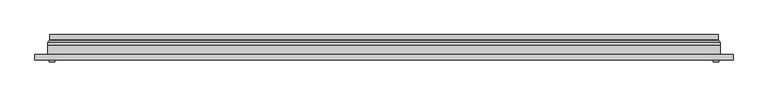
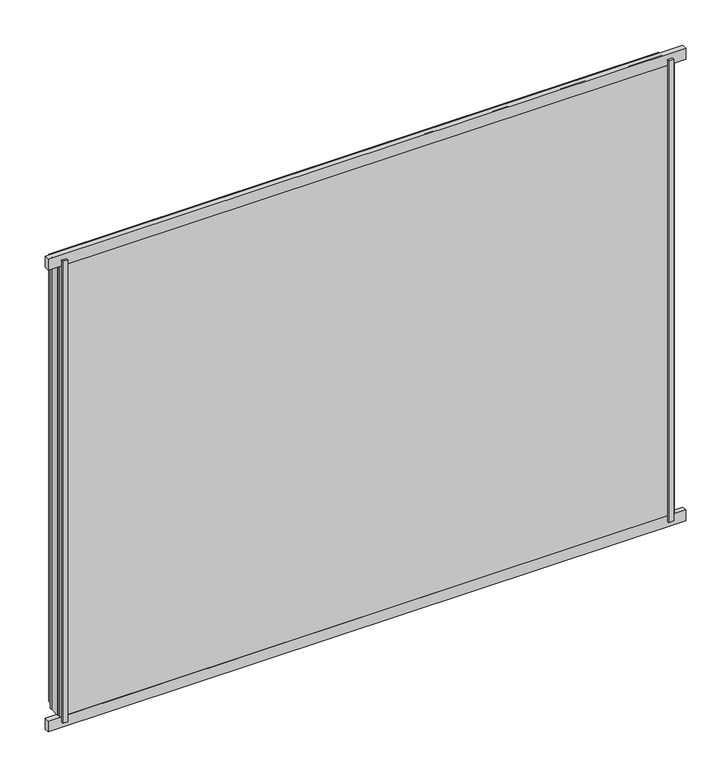
"""IFC4 building model written with IfcOpenShell, lengths in millimetres: plate geometry."""

from ifc_helpers import new_model, si_unit, frame, origin, origin_with_axes, place, context, project, spatial, polyline, ellipse_curve, outline, extrude, source, transform, mapped, element, save
from ifc_brep_helpers import plane_surface, cylinder_surface, revolved_surface, advanced_brep


def plate_7b039a12(model_context):
    return source(origin(), model_context, "Body", "SolidModel", [
        extrude(outline(polyline([(600.0, -23.0), (610.0, -23.0), (610.0, -27.0), (600.0, -27.0), (600.0, -23.0)])), origin_with_axes(), (0.0, 0.0, 1.0), 975.0),
        extrude(outline(polyline([(-600.0, -23.0), (-600.0, -27.0), (-610.0, -27.0), (-610.0, -23.0), (-600.0, -23.0)])), origin_with_axes(), (0.0, 0.0, 1.0), 975.0),
        extrude(outline(polyline([(636.5, -23.0), (-636.5, -23.0), (-636.5, -13.51), (636.5, -13.51), (636.5, -23.0)])), frame((0.0, 0.0, -11.5), z_axis=(0.0, 0.0, 1.0), x_axis=(1.0, 0.0, 0.0)), (0.0, 0.0, 1.0), 23.0),
        extrude(outline(polyline([(636.5, -23.0), (-636.5, -23.0), (-636.5, -13.51), (636.5, -13.51), (636.5, -23.0)])), frame((0.0, 0.0, 963.5), z_axis=(0.0, 0.0, 1.0), x_axis=(1.0, 0.0, 0.0)), (0.0, 0.0, 1.0), 23.0),
        extrude(outline(polyline([(11.5, -613.5), (11.5, 613.5), (963.5, 613.5), (963.5, -613.5), (11.5, -613.5)]), holes=[polyline([(33.5, 591.5), (33.5, -591.5), (941.5, -591.5), (941.5, 591.5), (33.5, 591.5)])]), frame((0.0, -17.0, 0.0), z_axis=(0.0, 1.0, 0.0), x_axis=(0.0, 0.0, 1.0)), (0.0, 0.0, 1.0), 20.0),
        extrude(outline(polyline([(33.5, -591.5), (33.5, 591.5), (941.5, 591.5), (941.5, -591.5), (33.5, -591.5)]), holes=[polyline([(38.5, 586.5), (38.5, -586.5), (936.5, -586.5), (936.5, 586.5), (38.5, 586.5)])]), frame((0.0, -17.0, 0.0), z_axis=(0.0, 1.0, 0.0), x_axis=(0.0, 0.0, 1.0)), (0.0, 0.0, 1.0), 20.0),
        extrude(outline(polyline([(613.5, 9.0), (613.5, 3.0), (-613.5, 3.0), (-613.5, 9.0), (613.5, 9.0)])), frame((0.0, 0.0, 11.5), z_axis=(0.0, 0.0, 1.0), x_axis=(1.0, 0.0, 0.0)), (0.0, 0.0, 1.0), 952.0),
        extrude(outline(polyline([(-613.5, -23.0), (-613.5, -17.0), (613.5, -17.0), (613.5, -23.0), (-613.5, -23.0)])), frame((0.0, 0.0, 11.5), z_axis=(0.0, 0.0, 1.0), x_axis=(1.0, 0.0, 0.0)), (0.0, 0.0, 1.0), 952.0),
        advanced_brep(
        [(-609.0, 23.0, 16.0), (609.0, 23.0, 16.0), (609.0, 13.9230471, 16.0), (-609.0, 13.9230471, 16.0), (-600.0, 12.9110883, 25.0), (600.0, 12.9110883, 25.0), (600.0, 23.0, 25.0), (-600.0, 23.0, 25.0), (609.0, 23.0, 959.0), (609.0, 13.9230471, 959.0), (600.0, 12.9110883, 950.0), (600.0, 23.0, 950.0), (-609.0, 23.0, 959.0), (-609.0, 13.9230471, 959.0), (-600.0, 12.9110883, 950.0), (-600.0, 23.0, 950.0), (-610.2540757, 9.0, 14.7459243), (610.2540757, 9.0, 14.7459243), (610.2540757, 9.0, 960.2540757), (-610.2540757, 9.0, 960.2540757), (599.7, 9.0, 25.3), (-599.7, 9.0, 25.3), (-599.7, 9.0, 949.7), (599.7, 9.0, 949.7), (-599.0625, 11.2166581, 25.9375), (599.0625, 11.2166581, 25.9375), (-610.5737576, 11.9689955, 14.4262425), (610.5737576, 11.9689955, 14.4262425), (599.0625, 11.2166581, 949.0625), (610.5737576, 11.9689955, 960.5737575), (-599.0625, 11.2166581, 949.0625), (-610.5737576, 11.9689955, 960.5737575)],
        [
            (0, 1),
            (1, 2),
            (2, 3),
            (3, 0),
            (4, 5),
            (5, 6),
            (6, 7),
            (7, 4),
            (1, 8),
            (8, 9),
            (9, 2),
            (5, 10),
            (10, 11),
            (11, 6),
            (8, 12),
            (12, 13),
            (13, 9),
            (10, 14),
            (14, 15),
            (15, 11),
            (16, 17),
            (17, 18),
            (18, 19),
            (19, 16),
            (20, 21),
            (21, 22),
            (22, 23),
            (23, 20),
            (12, 0),
            (3, 13),
            (15, 7),
            (14, 4),
            (24, 25),
            (25, 5, ellipse_curve(frame((598.0, 12.9110883, 27.0), z_axis=(0.7071067811865475, 0.0, 0.7071067811865475), x_axis=(0.7071067811865476, 0.0, -0.7071067811865474)), 2.8284271, 2.0)),
            (4, 24, ellipse_curve(frame((-598.0, 12.9110883, 27.0), z_axis=(-0.7071067811865475, 0.0, 0.7071067811865475), x_axis=(0.7071067811865476, 0.0, 0.7071067811865474)), 2.8284271, 2.0)),
            (20, 25, ellipse_curve(frame((599.7, 10.2, 25.3), z_axis=(-0.7071067811865475, 0.0, -0.7071067811865475), x_axis=(-0.7071067811865476, 0.0, 0.7071067811865474)), 1.6970563, 1.2)),
            (24, 21, ellipse_curve(frame((-599.7, 10.2, 25.3), z_axis=(0.7071067811865475, 0.0, -0.7071067811865475), x_axis=(-0.7071067811865476, 0.0, -0.7071067811865474)), 1.6970563, 1.2)),
            (26, 27),
            (27, 17, ellipse_curve(frame((610.2540757, 10.5034569, 14.7459243), z_axis=(-0.7071067811865475, 0.0, -0.7071067811865475), x_axis=(-0.7071067811865476, 0.0, 0.7071067811865474)), 2.1213203, 1.5)),
            (16, 26, ellipse_curve(frame((-610.2540757, 10.5034569, 14.7459243), z_axis=(0.7071067811865475, 0.0, -0.7071067811865475), x_axis=(-0.7071067811865476, 0.0, -0.7071067811865474)), 2.1213203, 1.5)),
            (25, 28),
            (28, 10, ellipse_curve(frame((598.0, 12.9110883, 948.0), z_axis=(-0.7071067811865475, 0.0, 0.7071067811865475), x_axis=(0.7071067811865474, 0.0, 0.7071067811865476)), 2.8284271, 2.0)),
            (23, 28, ellipse_curve(frame((599.7, 10.2, 949.7), z_axis=(0.7071067811865475, 0.0, -0.7071067811865475), x_axis=(-0.7071067811865474, 0.0, -0.7071067811865476)), 1.6970563, 1.2)),
            (27, 29),
            (29, 18, ellipse_curve(frame((610.2540757, 10.5034569, 960.2540757), z_axis=(0.7071067811865475, 0.0, -0.7071067811865475), x_axis=(-0.7071067811865474, 0.0, -0.7071067811865476)), 2.1213203, 1.5)),
            (28, 30),
            (30, 14, ellipse_curve(frame((-598.0, 12.9110883, 948.0), z_axis=(-0.7071067811865475, 0.0, -0.7071067811865475), x_axis=(-0.7071067811865476, 0.0, 0.7071067811865474)), 2.8284271, 2.0)),
            (22, 30, ellipse_curve(frame((-599.7, 10.2, 949.7), z_axis=(0.7071067811865475, 0.0, 0.7071067811865475), x_axis=(0.7071067811865476, 0.0, -0.7071067811865474)), 1.6970563, 1.2)),
            (29, 31),
            (31, 19, ellipse_curve(frame((-610.2540757, 10.5034569, 960.2540757), z_axis=(0.7071067811865475, 0.0, 0.7071067811865475), x_axis=(0.7071067811865476, 0.0, -0.7071067811865474)), 2.1213203, 1.5)),
            (30, 24),
            (31, 26),
            (2, 27, ellipse_curve(frame((611.0, 13.9230471, 14.0), z_axis=(0.7071067811865475, 0.0, 0.7071067811865475), x_axis=(0.7071067811865476, 0.0, -0.7071067811865474)), 2.8284271, 2.0)),
            (26, 3, ellipse_curve(frame((-611.0, 13.9230471, 14.0), z_axis=(-0.7071067811865475, 0.0, 0.7071067811865475), x_axis=(0.7071067811865476, 0.0, 0.7071067811865474)), 2.8284271, 2.0)),
            (9, 29, ellipse_curve(frame((611.0, 13.9230471, 961.0), z_axis=(-0.7071067811865475, 0.0, 0.7071067811865475), x_axis=(0.7071067811865474, 0.0, 0.7071067811865476)), 2.8284271, 2.0)),
            (13, 31, ellipse_curve(frame((-611.0, 13.9230471, 961.0), z_axis=(-0.7071067811865475, 0.0, -0.7071067811865475), x_axis=(-0.7071067811865476, 0.0, 0.7071067811865474)), 2.8284271, 2.0)),
        ],
        [
            plane_surface(frame((-609.0, 13.9230471, 16.0), z_axis=(0.0, 0.0, -1.0), x_axis=(1.0, 0.0, 0.0))),
            plane_surface(frame((-600.0, 23.0, 25.0), z_axis=(0.0, 0.0, 1.0), x_axis=(1.0, 0.0, 0.0))),
            plane_surface(frame((609.0, 13.9230471, 16.0), z_axis=(1.0, 0.0, 0.0), x_axis=(0.0, 0.0, 1.0))),
            plane_surface(frame((600.0, 23.0, 25.0), z_axis=(-1.0, 0.0, 0.0), x_axis=(0.0, 0.0, 1.0))),
            plane_surface(frame((609.0, 13.9230471, 959.0), z_axis=(0.0, 0.0, 1.0), x_axis=(-1.0, 0.0, 0.0))),
            plane_surface(frame((600.0, 23.0, 950.0), z_axis=(0.0, 0.0, -1.0), x_axis=(-1.0, 0.0, 0.0))),
            plane_surface(frame((-599.7, 9.0, 949.7), z_axis=(0.0, -1.0, 0.0), x_axis=(0.0, 0.0, -1.0))),
            plane_surface(frame((-609.0, 13.9230471, 959.0), z_axis=(-1.0, 0.0, 0.0), x_axis=(0.0, 0.0, -1.0))),
            plane_surface(frame((-609.0, 23.0, 959.0), z_axis=(0.0, 1.0, 0.0), x_axis=(0.0, 0.0, -1.0))),
            plane_surface(frame((-600.0, 23.0, 950.0), z_axis=(1.0, 0.0, 0.0), x_axis=(0.0, 0.0, -1.0))),
            revolved_surface(polyline([(600.0, 10.9110883, 27.0), (-600.0, 10.9110883, 27.0)]), (-613.5, 12.9110883, 27.0), (1.0, 0.0, 0.0)),
            cylinder_surface(frame((-613.5, 10.2, 25.3), z_axis=(-1.0, 0.0, 0.0), x_axis=(0.0, -1.0, 0.0)), 1.2),
            cylinder_surface(frame((-613.5, 10.5034569, 14.7459243), z_axis=(-1.0, 0.0, 0.0), x_axis=(0.0, -1.0, 0.0)), 1.5),
            revolved_surface(polyline([(598.0, 10.9110883, 950.0), (598.0, 10.9110883, 25.0)]), (598.0, 12.9110883, 11.5), (0.0, 0.0, 1.0)),
            cylinder_surface(frame((599.7, 10.2, 11.5), z_axis=(0.0, 0.0, -1.0), x_axis=(0.0, -1.0, 0.0)), 1.2),
            cylinder_surface(frame((610.2540757, 10.5034569, 11.5), z_axis=(0.0, 0.0, -1.0), x_axis=(0.0, -1.0, 0.0)), 1.5),
            revolved_surface(polyline([(-600.0, 10.9110883, 948.0), (600.0, 10.9110883, 948.0)]), (613.5, 12.9110883, 948.0), (-1.0, 0.0, 0.0)),
            cylinder_surface(frame((613.5, 10.2, 949.7), z_axis=(1.0, 0.0, 0.0), x_axis=(0.0, -1.0, 0.0)), 1.2),
            cylinder_surface(frame((613.5, 10.5034569, 960.2540757), z_axis=(1.0, 0.0, 0.0), x_axis=(0.0, -1.0, 0.0)), 1.5),
            revolved_surface(polyline([(-598.0, 10.9110883, 25.0), (-598.0, 10.9110883, 950.0)]), (-598.0, 12.9110883, 963.5), (0.0, 0.0, -1.0)),
            cylinder_surface(frame((-599.7, 10.2, 963.5), z_axis=(0.0, 0.0, 1.0), x_axis=(0.0, -1.0, 0.0)), 1.2),
            cylinder_surface(frame((-610.2540757, 10.5034569, 963.5), z_axis=(0.0, 0.0, 1.0), x_axis=(0.0, -1.0, 0.0)), 1.5),
            revolved_surface(polyline([(612.9999999825018, 11.9230471, 14.0), (-612.9999999825018, 11.9230471, 14.0)]), (-613.5, 13.9230471, 14.0), (1.0, 0.0, 0.0)),
            revolved_surface(polyline([(611.0, 11.9230471, 962.9999999825018), (611.0, 11.9230471, 12.000000017498198)]), (611.0, 13.9230471, 11.5), (0.0, 0.0, 1.0)),
            revolved_surface(polyline([(-612.9999999825018, 11.9230471, 961.0), (612.9999999825018, 11.9230471, 961.0)]), (613.5, 13.9230471, 961.0), (-1.0, 0.0, 0.0)),
            revolved_surface(polyline([(-611.0, 11.9230471, 12.000000017498223), (-611.0, 11.9230471, 962.9999999825018)]), (-611.0, 13.9230471, 963.5), (0.0, 0.0, -1.0)),
        ],
        [
            (0, [[1, 2, 3, 4]]),
            (1, [[5, 6, 7, 8]]),
            (2, [[9, 10, 11, -2]]),
            (3, [[12, 13, 14, -6]]),
            (4, [[15, 16, 17, -10]]),
            (5, [[18, 19, 20, -13]]),
            (6, [[21, 22, 23, 24], [25, 26, 27, 28]]),
            (7, [[29, -4, 30, -16]]),
            (8, [[-1, -29, -15, -9], [-7, -14, -20, 31]]),
            (9, [[32, -8, -31, -19]]),
            (10, [[33, 34, -5, 35]]),
            (11, [[-25, 36, -33, 37]]),
            (12, [[38, 39, -21, 40]]),
            (13, [[41, 42, -12, -34]]),
            (14, [[-28, 43, -41, -36]]),
            (15, [[44, 45, -22, -39]]),
            (16, [[46, 47, -18, -42]]),
            (17, [[-27, 48, -46, -43]]),
            (18, [[49, 50, -23, -45]]),
            (19, [[51, -35, -32, -47]]),
            (20, [[-26, -37, -51, -48]]),
            (21, [[52, -40, -24, -50]]),
            (22, [[-3, 53, -38, 54]]),
            (23, [[-11, 55, -44, -53]]),
            (24, [[-17, 56, -49, -55]]),
            (25, [[-30, -54, -52, -56]]),
        ],
    ),
    ])


if __name__ == "__main__":
    model = new_model("IFC4")
    model_context = context("Model", 3, world=origin())
    ifc_project = project(units=[si_unit("LENGTHUNIT", "METRE", prefix="MILLI")], contexts=[model_context])
    site = spatial("IfcSite", under=ifc_project)
    building = spatial("IfcBuilding", under=site)
    placement = place(None, origin())
    plate_shape = plate_7b039a12(model_context)
    element("IfcPlate", 1, at=placement, inside=building, context=model_context, shape_type="MappedRepresentation", body=[
        mapped(plate_shape, transform((0.0, 0.0, 0.0), x_axis=(1.0, 0.0, 0.0), y_axis=(0.0, 1.0, 0.0), z_axis=(0.0, 0.0, 1.0))),
    ])
    save(model, "model.ifc")
